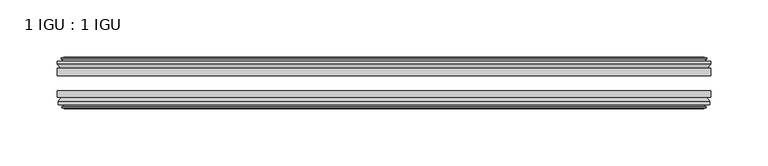
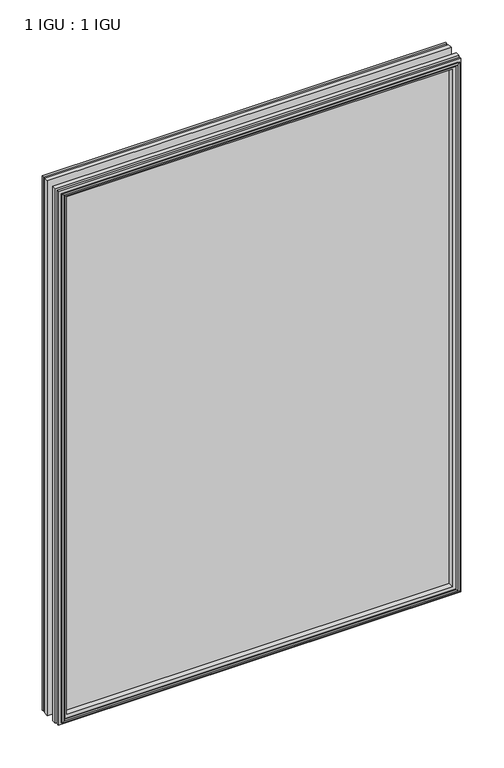
"""IFC4 building model written with IfcOpenShell, lengths in millimetres: plate geometry, 1 IGU : 1 IGU."""

from ifc_helpers import new_model, si_unit, frame, origin, place, context, project, spatial, polyline, outline, extrude, faceted_brep, source, transform, mapped, element, save


def plate_1_igu_1_igu_77ffea76(model_context):
    return source(origin(), model_context, "Body", "SolidModel", [
        extrude(outline(polyline([(285.75, -19.5460937), (285.75, -25.8960938), (-285.75, -25.8960938), (-285.75, -19.5460937), (285.75, -19.5460937)])), frame((0.0, 0.0, -12.7), z_axis=(0.0, 0.0, 1.0), x_axis=(1.0, 0.0, 0.0)), (0.0, 0.0, 1.0), 800.1),
        extrude(outline(polyline([(-285.75, -44.9460938), (-285.75, -38.9186737), (285.75, -38.9186737), (285.75, -44.9460938), (-285.75, -44.9460938)])), frame((0.0, 0.0, -12.7), z_axis=(0.0, 0.0, 1.0), x_axis=(1.0, 0.0, 0.0)), (0.0, 0.0, 1.0), 800.1),
        faceted_brep([(-280.162, -53.6762907, 781.812), (-280.543, -51.2960937, 782.193), (-280.543, -51.2960937, -7.493), (-280.162, -53.6762907, -7.112), (-281.5775291, -53.2163575, 783.2275291), (-281.5775291, -53.2163575, -8.5275291), (-281.5775291, -54.0175717, 783.2275291), (-281.5775291, -54.0175717, -8.5275291), (-279.4, -54.7250937, 781.05), (-279.4, -54.7250937, -6.35), (-277.2224709, -54.0175717, 778.8724709), (-277.2224709, -54.0175717, -4.1724709), (-277.2224709, -53.2163575, 778.8724709), (-277.2224709, -53.2163575, -4.1724709), (-278.638, -53.6762907, 780.288), (-278.638, -53.6762907, -5.588), (-278.257, -51.2960937, 779.907), (-278.257, -51.2960937, -5.207), (-271.3322819, -44.9460937, 772.9822819), (-273.05, -51.2960937, 774.7), (-273.05, -51.2960937, 0.0), (-271.3322819, -44.9460937, 1.7177181), (-284.988, -48.3496937, 786.638), (-282.1536578, -44.9460937, 783.8036578), (-282.1536578, -44.9460937, -9.1036578), (-284.988, -48.3496937, -11.938), (-284.988, -51.2960937, 786.638), (-284.988, -51.2960937, -11.938), (280.543, -51.2960938, -7.493), (280.162, -53.6762907, -7.112), (281.5775291, -53.2163575, -8.5275291), (281.5775291, -54.0175717, -8.5275291), (279.4, -54.7250937, -6.35), (277.2224709, -54.0175717, -4.1724709), (277.2224709, -53.2163575, -4.1724709), (278.638, -53.6762907, -5.588), (278.257, -51.2960937, -5.207), (273.05, -51.2960937, 0.0), (271.3322819, -44.9460937, 1.7177181), (282.1536578, -44.9460937, -9.1036578), (284.988, -48.3496937, -11.938), (284.988, -51.2960938, -11.938), (280.543, -51.2960938, 782.193), (280.162, -53.6762907, 781.812), (281.5775291, -53.2163575, 783.2275291), (281.5775291, -54.0175717, 783.2275291), (279.4, -54.7250937, 781.05), (277.2224709, -54.0175717, 778.8724709), (277.2224709, -53.2163575, 778.8724709), (278.638, -53.6762907, 780.288), (278.257, -51.2960937, 779.907), (273.05, -51.2960937, 774.7), (271.3322819, -44.9460937, 772.9822819), (282.1536578, -44.9460937, 783.8036578), (284.988, -48.3496937, 786.638), (284.988, -51.2960938, 786.638)], [[[0, 1, 2, 3]], [[4, 0, 3, 5]], [[6, 4, 5, 7]], [[8, 6, 7, 9]], [[10, 8, 9, 11]], [[12, 10, 11, 13]], [[14, 12, 13, 15]], [[16, 14, 15, 17]], [[18, 19, 20, 21]], [[22, 23, 24, 25]], [[26, 22, 25, 27]], [[3, 2, 28, 29]], [[5, 3, 29, 30]], [[7, 5, 30, 31]], [[9, 7, 31, 32]], [[11, 9, 32, 33]], [[13, 11, 33, 34]], [[15, 13, 34, 35]], [[17, 15, 35, 36]], [[21, 20, 37, 38]], [[25, 24, 39, 40]], [[27, 25, 40, 41]], [[29, 28, 42, 43]], [[30, 29, 43, 44]], [[31, 30, 44, 45]], [[32, 31, 45, 46]], [[33, 32, 46, 47]], [[34, 33, 47, 48]], [[35, 34, 48, 49]], [[36, 35, 49, 50]], [[38, 37, 51, 52]], [[40, 39, 53, 54]], [[41, 40, 54, 55]], [[27, 41, 55, 26], [1, 42, 28, 2]], [[43, 42, 1, 0]], [[44, 43, 0, 4]], [[45, 44, 4, 6]], [[46, 45, 6, 8]], [[47, 46, 8, 10]], [[48, 47, 10, 12]], [[49, 48, 12, 14]], [[50, 49, 14, 16]], [[17, 36, 50, 16], [19, 51, 37, 20]], [[52, 51, 19, 18]], [[23, 53, 39, 24], [21, 38, 52, 18]], [[54, 53, 23, 22]], [[55, 54, 22, 26]]]),
        faceted_brep([(-282.6743578, -19.5460937, 784.3243578), (-285.5087, -16.1424937, 787.1587), (-285.5087, -16.1424937, -12.4587), (-282.6743578, -19.5460937, -9.6243578), (-273.5707, -13.1960937, 775.2207), (-271.8529819, -19.5460937, 773.5029819), (-271.8529819, -19.5460937, 1.1970181), (-273.5707, -13.1960937, -0.5207), (-279.1587, -10.8158968, 780.8087), (-278.7777, -13.1960937, 780.4277), (-278.7777, -13.1960937, -5.7277), (-279.1587, -10.8158968, -6.1087), (-277.7431709, -11.27583, 779.3931709), (-277.7431709, -11.27583, -4.6931709), (-277.7431709, -10.4746158, 779.3931709), (-277.7431709, -10.4746158, -4.6931709), (-279.9207, -9.7670937, 781.5707), (-279.9207, -9.7670937, -6.8707), (-282.0982291, -10.4746158, 783.7482291), (-282.0982291, -10.4746158, -9.0482291), (-282.0982291, -11.27583, 783.7482291), (-282.0982291, -11.27583, -9.0482291), (-280.6827, -10.8158968, 782.3327), (-280.6827, -10.8158968, -7.6327), (-281.0637, -13.1960937, 782.7137), (-281.0637, -13.1960937, -8.0137), (-285.5087, -13.1960937, 787.1587), (-285.5087, -13.1960937, -12.4587), (285.5087, -16.1424937, -12.4587), (282.6743578, -19.5460937, -9.6243578), (271.8529819, -19.5460937, 1.1970181), (273.5707, -13.1960937, -0.5207), (278.7777, -13.1960937, -5.7277), (279.1587, -10.8158968, -6.1087), (277.7431709, -11.27583, -4.6931709), (277.7431709, -10.4746158, -4.6931709), (279.9207, -9.7670937, -6.8707), (282.0982291, -10.4746158, -9.0482291), (282.0982291, -11.27583, -9.0482291), (280.6827, -10.8158968, -7.6327), (281.0637, -13.1960937, -8.0137), (285.5087, -13.1960937, -12.4587), (285.5087, -16.1424937, 787.1587), (282.6743578, -19.5460937, 784.3243578), (271.8529819, -19.5460937, 773.5029819), (273.5707, -13.1960937, 775.2207), (278.7777, -13.1960937, 780.4277), (279.1587, -10.8158968, 780.8087), (277.7431709, -11.27583, 779.3931709), (277.7431709, -10.4746158, 779.3931709), (279.9207, -9.7670937, 781.5707), (282.0982291, -10.4746158, 783.7482291), (282.0982291, -11.27583, 783.7482291), (280.6827, -10.8158968, 782.3327), (281.0637, -13.1960937, 782.7137), (285.5087, -13.1960937, 787.1587)], [[[0, 1, 2, 3]], [[4, 5, 6, 7]], [[8, 9, 10, 11]], [[12, 8, 11, 13]], [[14, 12, 13, 15]], [[16, 14, 15, 17]], [[18, 16, 17, 19]], [[20, 18, 19, 21]], [[22, 20, 21, 23]], [[24, 22, 23, 25]], [[1, 26, 27, 2]], [[3, 2, 28, 29]], [[7, 6, 30, 31]], [[11, 10, 32, 33]], [[13, 11, 33, 34]], [[15, 13, 34, 35]], [[17, 15, 35, 36]], [[19, 17, 36, 37]], [[21, 19, 37, 38]], [[23, 21, 38, 39]], [[25, 23, 39, 40]], [[2, 27, 41, 28]], [[29, 28, 42, 43]], [[31, 30, 44, 45]], [[33, 32, 46, 47]], [[34, 33, 47, 48]], [[35, 34, 48, 49]], [[36, 35, 49, 50]], [[37, 36, 50, 51]], [[38, 37, 51, 52]], [[39, 38, 52, 53]], [[40, 39, 53, 54]], [[28, 41, 55, 42]], [[43, 42, 1, 0]], [[3, 29, 43, 0], [5, 44, 30, 6]], [[45, 44, 5, 4]], [[9, 46, 32, 10], [7, 31, 45, 4]], [[47, 46, 9, 8]], [[48, 47, 8, 12]], [[49, 48, 12, 14]], [[50, 49, 14, 16]], [[51, 50, 16, 18]], [[52, 51, 18, 20]], [[53, 52, 20, 22]], [[54, 53, 22, 24]], [[26, 55, 41, 27], [25, 40, 54, 24]], [[42, 55, 26, 1]]]),
    ])


if __name__ == "__main__":
    model = new_model("IFC4")
    model_context = context("Model", 3, world=origin())
    ifc_project = project(units=[si_unit("LENGTHUNIT", "METRE", prefix="MILLI")], contexts=[model_context])
    site = spatial("IfcSite", under=ifc_project)
    building = spatial("IfcBuilding", under=site)
    placement = place(None, origin())
    plate_1_igu_1_igu_shape = plate_1_igu_1_igu_77ffea76(model_context)
    element("IfcPlate", 1, ObjectType="1 IGU : 1 IGU", at=placement, inside=building, context=model_context, shape_type="MappedRepresentation", body=[
        mapped(plate_1_igu_1_igu_shape, transform((0.0, 0.0, 0.0), x_axis=(1.0, 0.0, 0.0), y_axis=(0.0, 1.0, 0.0), z_axis=(0.0, 0.0, 1.0))),
    ])
    save(model, "model.ifc")
